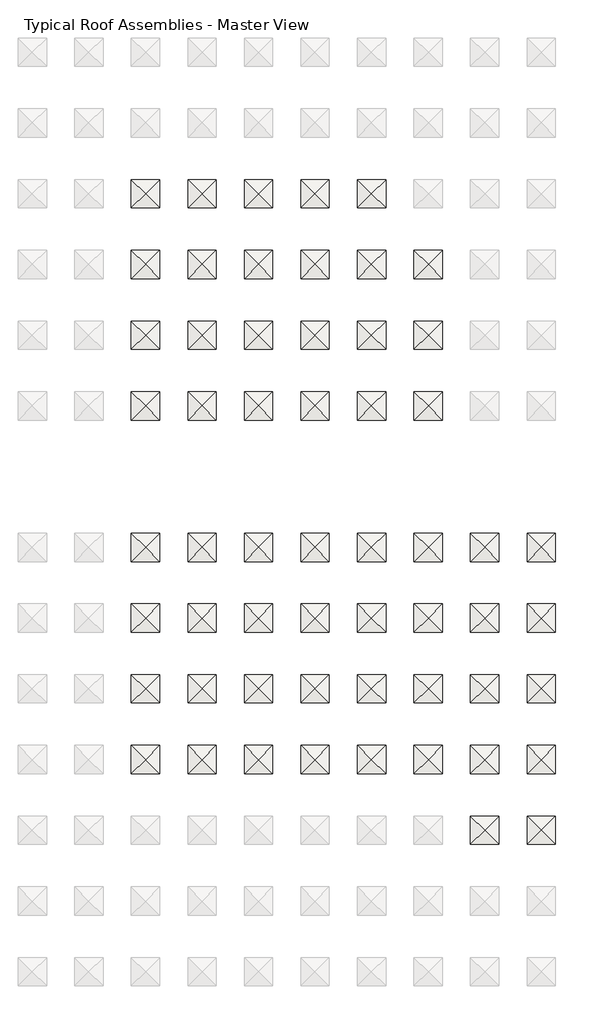
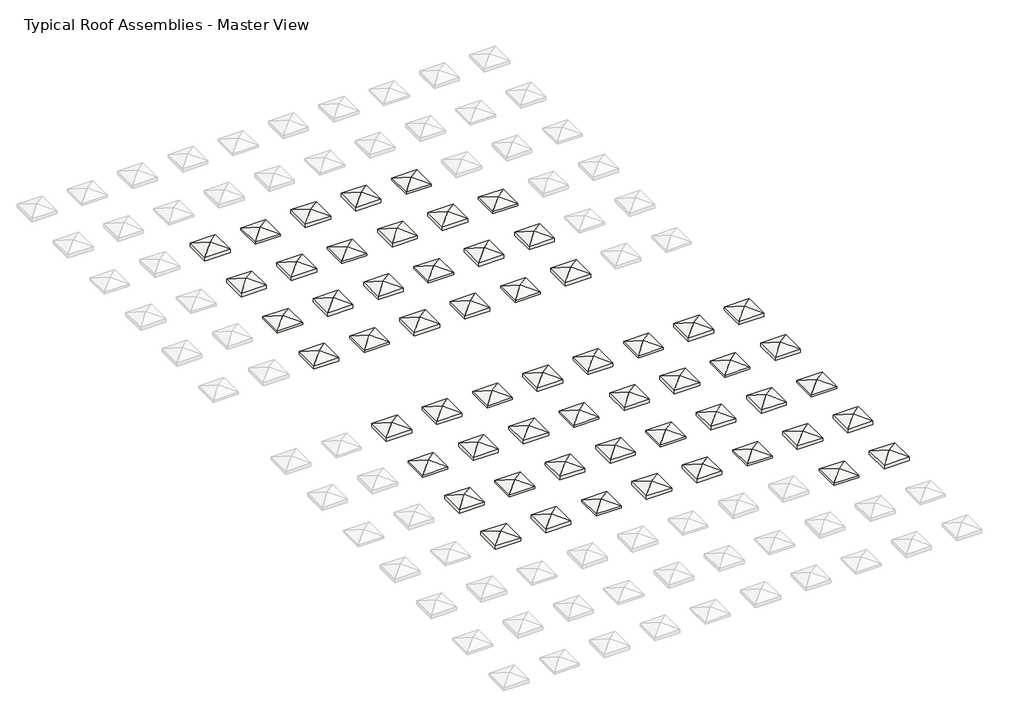
# One storey, part 3 of 6: 57 roofs.
"""IFC4 building model written with IfcOpenShell, lengths in millimetres."""

from ifc_helpers import new_model, si_unit, origin, place, context, project, spatial, faceted_brep, element, save

model = new_model("IFC4")

# Units and contexts
model_context = context("Model", 3, world=origin())
ifc_project = project(units=[si_unit("LENGTHUNIT", "METRE", prefix="MILLI")], contexts=[model_context])

# Site, building, storey
site = spatial("IfcSite", under=ifc_project)
building = spatial("IfcBuilding", under=site)
storey = spatial("IfcBuildingStorey", under=building, Name="Typical Roof Assemblies - Master View", Elevation=3048.0)

# Roofs
placement = place(None, origin())
element("IfcRoof", 1, at=placement, inside=storey, context=model_context, shape_type="Brep", body=[
    faceted_brep([(285.2728707, -160224.4766531, 3556.0), (1809.2728707, -158700.4766531, 3048.0), (1809.2728707, -161748.4766531, 3048.0), (-1238.7271293, -158700.4766531, 3048.0), (-1238.7271293, -161748.4766531, 3048.0), (1809.2728707, -158700.4766531, 3476.3832082), (285.2728707, -160224.4766531, 3984.3832082), (1809.2728707, -161748.4766531, 3476.3832082), (-1238.7271293, -158700.4766531, 3476.3832082), (-1238.7271293, -161748.4766531, 3476.3832082)], [[[0, 1, 2]], [[3, 0, 4]], [[1, 0, 3]], [[4, 0, 2]], [[5, 6, 7]], [[8, 9, 6]], [[5, 8, 6]], [[9, 7, 6]], [[3, 8, 5, 1]], [[4, 9, 8, 3]], [[2, 7, 9, 4]], [[1, 5, 7, 2]]]),
])
element("IfcRoof", 2, at=placement, inside=storey, context=model_context, shape_type="Brep", body=[
    faceted_brep([(6381.2728707, -160224.4766531, 3556.0), (7905.2728707, -158700.4766531, 3048.0), (7905.2728707, -161748.4766531, 3048.0), (4857.2728707, -158700.4766531, 3048.0), (4857.2728707, -161748.4766531, 3048.0), (7905.2728707, -158700.4766531, 3304.0928432), (6381.2728707, -160224.4766531, 3812.0928432), (7905.2728707, -161748.4766531, 3304.0928432), (4857.2728707, -158700.4766531, 3304.0928432), (4857.2728707, -161748.4766531, 3304.0928432)], [[[0, 1, 2]], [[3, 0, 4]], [[1, 0, 3]], [[4, 0, 2]], [[5, 6, 7]], [[8, 9, 6]], [[5, 8, 6]], [[9, 7, 6]], [[3, 8, 5, 1]], [[4, 9, 8, 3]], [[2, 7, 9, 4]], [[1, 5, 7, 2]]]),
])
element("IfcRoof", 3, at=placement, inside=storey, context=model_context, shape_type="Brep", body=[
    faceted_brep([(12477.2728707, -160224.4766531, 3556.0), (14001.2728707, -158700.4766531, 3048.0), (14001.2728707, -161748.4766531, 3048.0), (10953.2728707, -158700.4766531, 3048.0), (10953.2728707, -161748.4766531, 3048.0), (14001.2728707, -158700.4766531, 3478.1235205), (12477.2728707, -160224.4766531, 3986.1235205), (14001.2728707, -161748.4766531, 3478.1235205), (10953.2728707, -158700.4766531, 3478.1235205), (10953.2728707, -161748.4766531, 3478.1235205)], [[[0, 1, 2]], [[3, 0, 4]], [[1, 0, 3]], [[4, 0, 2]], [[5, 6, 7]], [[8, 9, 6]], [[5, 8, 6]], [[9, 7, 6]], [[3, 8, 5, 1]], [[4, 9, 8, 3]], [[2, 7, 9, 4]], [[1, 5, 7, 2]]]),
])
element("IfcRoof", 4, at=placement, inside=storey, context=model_context, shape_type="Brep", body=[
    faceted_brep([(18573.2728707, -160224.4766531, 3556.0), (20097.2728707, -158700.4766531, 3048.0), (20097.2728707, -161748.4766531, 3048.0), (17049.2728707, -158700.4766531, 3048.0), (17049.2728707, -161748.4766531, 3048.0), (20097.2728707, -158700.4766531, 3474.7767703), (18573.2728707, -160224.4766531, 3982.7767703), (20097.2728707, -161748.4766531, 3474.7767703), (17049.2728707, -158700.4766531, 3474.7767703), (17049.2728707, -161748.4766531, 3474.7767703)], [[[0, 1, 2]], [[3, 0, 4]], [[1, 0, 3]], [[4, 0, 2]], [[5, 6, 7]], [[8, 9, 6]], [[5, 8, 6]], [[9, 7, 6]], [[3, 8, 5, 1]], [[4, 9, 8, 3]], [[2, 7, 9, 4]], [[1, 5, 7, 2]]]),
])
element("IfcRoof", 5, at=placement, inside=storey, context=model_context, shape_type="Brep", body=[
    faceted_brep([(24669.2728707, -160224.4766531, 3556.0), (26193.2728707, -158700.4766531, 3048.0), (26193.2728707, -161748.4766531, 3048.0), (23145.2728707, -158700.4766531, 3048.0), (23145.2728707, -161748.4766531, 3048.0), (26193.2728707, -158700.4766531, 3304.0928432), (24669.2728707, -160224.4766531, 3812.0928432), (26193.2728707, -161748.4766531, 3304.0928432), (23145.2728707, -158700.4766531, 3304.0928432), (23145.2728707, -161748.4766531, 3304.0928432)], [[[0, 1, 2]], [[3, 0, 4]], [[1, 0, 3]], [[4, 0, 2]], [[5, 6, 7]], [[8, 9, 6]], [[5, 8, 6]], [[9, 7, 6]], [[3, 8, 5, 1]], [[4, 9, 8, 3]], [[2, 7, 9, 4]], [[1, 5, 7, 2]]]),
])
element("IfcRoof", 6, at=placement, inside=storey, context=model_context, shape_type="Brep", body=[
    faceted_brep([(285.2728707, -167844.4766531, 3556.0), (1809.2728707, -166320.4766531, 3048.0), (1809.2728707, -169368.4766531, 3048.0), (-1238.7271293, -166320.4766531, 3048.0), (-1238.7271293, -169368.4766531, 3048.0), (1809.2728707, -166320.4766531, 3479.7299585), (285.2728707, -167844.4766531, 3987.7299585), (1809.2728707, -169368.4766531, 3479.7299585), (-1238.7271293, -166320.4766531, 3479.7299585), (-1238.7271293, -169368.4766531, 3479.7299585)], [[[0, 1, 2]], [[3, 0, 4]], [[1, 0, 3]], [[4, 0, 2]], [[5, 6, 7]], [[8, 9, 6]], [[5, 8, 6]], [[9, 7, 6]], [[3, 8, 5, 1]], [[4, 9, 8, 3]], [[2, 7, 9, 4]], [[1, 5, 7, 2]]]),
])
element("IfcRoof", 7, at=placement, inside=storey, context=model_context, shape_type="Brep", body=[
    faceted_brep([(6381.2728707, -167844.4766531, 3556.0), (7905.2728707, -166320.4766531, 3048.0), (7905.2728707, -169368.4766531, 3048.0), (4857.2728707, -166320.4766531, 3048.0), (4857.2728707, -169368.4766531, 3048.0), (7905.2728707, -166320.4766531, 3476.3832082), (6381.2728707, -167844.4766531, 3984.3832082), (7905.2728707, -169368.4766531, 3476.3832082), (4857.2728707, -166320.4766531, 3476.3832082), (4857.2728707, -169368.4766531, 3476.3832082)], [[[0, 1, 2]], [[3, 0, 4]], [[1, 0, 3]], [[4, 0, 2]], [[5, 6, 7]], [[8, 9, 6]], [[5, 8, 6]], [[9, 7, 6]], [[3, 8, 5, 1]], [[4, 9, 8, 3]], [[2, 7, 9, 4]], [[1, 5, 7, 2]]]),
])
element("IfcRoof", 8, at=placement, inside=storey, context=model_context, shape_type="Brep", body=[
    faceted_brep([(12477.2728707, -167844.4766531, 3556.0), (14001.2728707, -166320.4766531, 3048.0), (14001.2728707, -169368.4766531, 3048.0), (10953.2728707, -166320.4766531, 3048.0), (10953.2728707, -169368.4766531, 3048.0), (14001.2728707, -166320.4766531, 3304.0928432), (12477.2728707, -167844.4766531, 3812.0928432), (14001.2728707, -169368.4766531, 3304.0928432), (10953.2728707, -166320.4766531, 3304.0928432), (10953.2728707, -169368.4766531, 3304.0928432)], [[[0, 1, 2]], [[3, 0, 4]], [[1, 0, 3]], [[4, 0, 2]], [[5, 6, 7]], [[8, 9, 6]], [[5, 8, 6]], [[9, 7, 6]], [[3, 8, 5, 1]], [[4, 9, 8, 3]], [[2, 7, 9, 4]], [[1, 5, 7, 2]]]),
])
element("IfcRoof", 9, at=placement, inside=storey, context=model_context, shape_type="Brep", body=[
    faceted_brep([(18573.2728707, -167844.4766531, 3556.0), (20097.2728707, -166320.4766531, 3048.0), (20097.2728707, -169368.4766531, 3048.0), (17049.2728707, -166320.4766531, 3048.0), (17049.2728707, -169368.4766531, 3048.0), (20097.2728707, -166320.4766531, 3478.1235205), (18573.2728707, -167844.4766531, 3986.1235205), (20097.2728707, -169368.4766531, 3478.1235205), (17049.2728707, -166320.4766531, 3478.1235205), (17049.2728707, -169368.4766531, 3478.1235205)], [[[0, 1, 2]], [[3, 0, 4]], [[1, 0, 3]], [[4, 0, 2]], [[5, 6, 7]], [[8, 9, 6]], [[5, 8, 6]], [[9, 7, 6]], [[3, 8, 5, 1]], [[4, 9, 8, 3]], [[2, 7, 9, 4]], [[1, 5, 7, 2]]]),
])
element("IfcRoof", 10, at=placement, inside=storey, context=model_context, shape_type="Brep", body=[
    faceted_brep([(24669.2728707, -167844.4766531, 3556.0), (26193.2728707, -166320.4766531, 3048.0), (26193.2728707, -169368.4766531, 3048.0), (23145.2728707, -166320.4766531, 3048.0), (23145.2728707, -169368.4766531, 3048.0), (26193.2728707, -166320.4766531, 3474.7767703), (24669.2728707, -167844.4766531, 3982.7767703), (26193.2728707, -169368.4766531, 3474.7767703), (23145.2728707, -166320.4766531, 3474.7767703), (23145.2728707, -169368.4766531, 3474.7767703)], [[[0, 1, 2]], [[3, 0, 4]], [[1, 0, 3]], [[4, 0, 2]], [[5, 6, 7]], [[8, 9, 6]], [[5, 8, 6]], [[9, 7, 6]], [[3, 8, 5, 1]], [[4, 9, 8, 3]], [[2, 7, 9, 4]], [[1, 5, 7, 2]]]),
])
element("IfcRoof", 11, at=placement, inside=storey, context=model_context, shape_type="Brep", body=[
    faceted_brep([(30765.2728707, -167844.4766531, 3556.0), (32289.2728707, -166320.4766531, 3048.0), (32289.2728707, -169368.4766531, 3048.0), (29241.2728707, -166320.4766531, 3048.0), (29241.2728707, -169368.4766531, 3048.0), (32289.2728707, -166320.4766531, 3304.0928432), (30765.2728707, -167844.4766531, 3812.0928432), (32289.2728707, -169368.4766531, 3304.0928432), (29241.2728707, -166320.4766531, 3304.0928432), (29241.2728707, -169368.4766531, 3304.0928432)], [[[0, 1, 2]], [[3, 0, 4]], [[1, 0, 3]], [[4, 0, 2]], [[5, 6, 7]], [[8, 9, 6]], [[5, 8, 6]], [[9, 7, 6]], [[3, 8, 5, 1]], [[4, 9, 8, 3]], [[2, 7, 9, 4]], [[1, 5, 7, 2]]]),
])
element("IfcRoof", 12, at=placement, inside=storey, context=model_context, shape_type="Brep", body=[
    faceted_brep([(285.2728707, -175464.4766531, 3556.0), (1809.2728707, -173940.4766531, 3048.0), (1809.2728707, -176988.4766531, 3048.0), (-1238.7271293, -173940.4766531, 3048.0), (-1238.7271293, -176988.4766531, 3048.0), (1809.2728707, -173940.4766531, 3304.0928432), (285.2728707, -175464.4766531, 3812.0928432), (1809.2728707, -176988.4766531, 3304.0928432), (-1238.7271293, -173940.4766531, 3304.0928432), (-1238.7271293, -176988.4766531, 3304.0928432)], [[[0, 1, 2]], [[3, 0, 4]], [[1, 0, 3]], [[4, 0, 2]], [[5, 6, 7]], [[8, 9, 6]], [[5, 8, 6]], [[9, 7, 6]], [[3, 8, 5, 1]], [[4, 9, 8, 3]], [[2, 7, 9, 4]], [[1, 5, 7, 2]]]),
])
element("IfcRoof", 13, at=placement, inside=storey, context=model_context, shape_type="Brep", body=[
    faceted_brep([(6381.2728707, -175464.4766531, 3556.0), (7905.2728707, -173940.4766531, 3048.0), (7905.2728707, -176988.4766531, 3048.0), (4857.2728707, -173940.4766531, 3048.0), (4857.2728707, -176988.4766531, 3048.0), (7905.2728707, -173940.4766531, 3479.7299585), (6381.2728707, -175464.4766531, 3987.7299585), (7905.2728707, -176988.4766531, 3479.7299585), (4857.2728707, -173940.4766531, 3479.7299585), (4857.2728707, -176988.4766531, 3479.7299585)], [[[0, 1, 2]], [[3, 0, 4]], [[1, 0, 3]], [[4, 0, 2]], [[5, 6, 7]], [[8, 9, 6]], [[5, 8, 6]], [[9, 7, 6]], [[3, 8, 5, 1]], [[4, 9, 8, 3]], [[2, 7, 9, 4]], [[1, 5, 7, 2]]]),
])
element("IfcRoof", 14, at=placement, inside=storey, context=model_context, shape_type="Brep", body=[
    faceted_brep([(12477.2728707, -175464.4766531, 3556.0), (14001.2728707, -173940.4766531, 3048.0), (14001.2728707, -176988.4766531, 3048.0), (10953.2728707, -173940.4766531, 3048.0), (10953.2728707, -176988.4766531, 3048.0), (14001.2728707, -173940.4766531, 3476.3832082), (12477.2728707, -175464.4766531, 3984.3832082), (14001.2728707, -176988.4766531, 3476.3832082), (10953.2728707, -173940.4766531, 3476.3832082), (10953.2728707, -176988.4766531, 3476.3832082)], [[[0, 1, 2]], [[3, 0, 4]], [[1, 0, 3]], [[4, 0, 2]], [[5, 6, 7]], [[8, 9, 6]], [[5, 8, 6]], [[9, 7, 6]], [[3, 8, 5, 1]], [[4, 9, 8, 3]], [[2, 7, 9, 4]], [[1, 5, 7, 2]]]),
])
element("IfcRoof", 15, at=placement, inside=storey, context=model_context, shape_type="Brep", body=[
    faceted_brep([(18573.2728707, -175464.4766531, 3556.0), (20097.2728707, -173940.4766531, 3048.0), (20097.2728707, -176988.4766531, 3048.0), (17049.2728707, -173940.4766531, 3048.0), (17049.2728707, -176988.4766531, 3048.0), (20097.2728707, -173940.4766531, 3304.0928432), (18573.2728707, -175464.4766531, 3812.0928432), (20097.2728707, -176988.4766531, 3304.0928432), (17049.2728707, -173940.4766531, 3304.0928432), (17049.2728707, -176988.4766531, 3304.0928432)], [[[0, 1, 2]], [[3, 0, 4]], [[1, 0, 3]], [[4, 0, 2]], [[5, 6, 7]], [[8, 9, 6]], [[5, 8, 6]], [[9, 7, 6]], [[3, 8, 5, 1]], [[4, 9, 8, 3]], [[2, 7, 9, 4]], [[1, 5, 7, 2]]]),
])
element("IfcRoof", 16, at=placement, inside=storey, context=model_context, shape_type="Brep", body=[
    faceted_brep([(24669.2728707, -175464.4766531, 3556.0), (26193.2728707, -173940.4766531, 3048.0), (26193.2728707, -176988.4766531, 3048.0), (23145.2728707, -173940.4766531, 3048.0), (23145.2728707, -176988.4766531, 3048.0), (26193.2728707, -173940.4766531, 3478.1235205), (24669.2728707, -175464.4766531, 3986.1235205), (26193.2728707, -176988.4766531, 3478.1235205), (23145.2728707, -173940.4766531, 3478.1235205), (23145.2728707, -176988.4766531, 3478.1235205)], [[[0, 1, 2]], [[3, 0, 4]], [[1, 0, 3]], [[4, 0, 2]], [[5, 6, 7]], [[8, 9, 6]], [[5, 8, 6]], [[9, 7, 6]], [[3, 8, 5, 1]], [[4, 9, 8, 3]], [[2, 7, 9, 4]], [[1, 5, 7, 2]]]),
])
element("IfcRoof", 17, at=placement, inside=storey, context=model_context, shape_type="Brep", body=[
    faceted_brep([(30765.2728707, -175464.4766531, 3556.0), (32289.2728707, -173940.4766531, 3048.0), (32289.2728707, -176988.4766531, 3048.0), (29241.2728707, -173940.4766531, 3048.0), (29241.2728707, -176988.4766531, 3048.0), (32289.2728707, -173940.4766531, 3474.7767703), (30765.2728707, -175464.4766531, 3982.7767703), (32289.2728707, -176988.4766531, 3474.7767703), (29241.2728707, -173940.4766531, 3474.7767703), (29241.2728707, -176988.4766531, 3474.7767703)], [[[0, 1, 2]], [[3, 0, 4]], [[1, 0, 3]], [[4, 0, 2]], [[5, 6, 7]], [[8, 9, 6]], [[5, 8, 6]], [[9, 7, 6]], [[3, 8, 5, 1]], [[4, 9, 8, 3]], [[2, 7, 9, 4]], [[1, 5, 7, 2]]]),
])
element("IfcRoof", 18, at=placement, inside=storey, context=model_context, shape_type="Brep", body=[
    faceted_brep([(285.2728707, -183084.4766531, 3556.0), (1809.2728707, -181560.4766531, 3048.0), (1809.2728707, -184608.4766531, 3048.0), (-1238.7271293, -181560.4766531, 3048.0), (-1238.7271293, -184608.4766531, 3048.0), (1809.2728707, -181560.4766531, 3474.7767703), (285.2728707, -183084.4766531, 3982.7767703), (1809.2728707, -184608.4766531, 3474.7767703), (-1238.7271293, -181560.4766531, 3474.7767703), (-1238.7271293, -184608.4766531, 3474.7767703)], [[[0, 1, 2]], [[3, 0, 4]], [[1, 0, 3]], [[4, 0, 2]], [[5, 6, 7]], [[8, 9, 6]], [[5, 8, 6]], [[9, 7, 6]], [[3, 8, 5, 1]], [[4, 9, 8, 3]], [[2, 7, 9, 4]], [[1, 5, 7, 2]]]),
])
element("IfcRoof", 19, at=placement, inside=storey, context=model_context, shape_type="Brep", body=[
    faceted_brep([(6381.2728707, -183084.4766531, 3556.0), (7905.2728707, -181560.4766531, 3048.0), (7905.2728707, -184608.4766531, 3048.0), (4857.2728707, -181560.4766531, 3048.0), (4857.2728707, -184608.4766531, 3048.0), (7905.2728707, -181560.4766531, 3304.0928432), (6381.2728707, -183084.4766531, 3812.0928432), (7905.2728707, -184608.4766531, 3304.0928432), (4857.2728707, -181560.4766531, 3304.0928432), (4857.2728707, -184608.4766531, 3304.0928432)], [[[0, 1, 2]], [[3, 0, 4]], [[1, 0, 3]], [[4, 0, 2]], [[5, 6, 7]], [[8, 9, 6]], [[5, 8, 6]], [[9, 7, 6]], [[3, 8, 5, 1]], [[4, 9, 8, 3]], [[2, 7, 9, 4]], [[1, 5, 7, 2]]]),
])
element("IfcRoof", 20, at=placement, inside=storey, context=model_context, shape_type="Brep", body=[
    faceted_brep([(12477.2728707, -183084.4766531, 3556.0), (14001.2728707, -181560.4766531, 3048.0), (14001.2728707, -184608.4766531, 3048.0), (10953.2728707, -181560.4766531, 3048.0), (10953.2728707, -184608.4766531, 3048.0), (14001.2728707, -181560.4766531, 3479.7299585), (12477.2728707, -183084.4766531, 3987.7299585), (14001.2728707, -184608.4766531, 3479.7299585), (10953.2728707, -181560.4766531, 3479.7299585), (10953.2728707, -184608.4766531, 3479.7299585)], [[[0, 1, 2]], [[3, 0, 4]], [[1, 0, 3]], [[4, 0, 2]], [[5, 6, 7]], [[8, 9, 6]], [[5, 8, 6]], [[9, 7, 6]], [[3, 8, 5, 1]], [[4, 9, 8, 3]], [[2, 7, 9, 4]], [[1, 5, 7, 2]]]),
])
element("IfcRoof", 21, at=placement, inside=storey, context=model_context, shape_type="Brep", body=[
    faceted_brep([(18573.2728707, -183084.4766531, 3556.0), (20097.2728707, -181560.4766531, 3048.0), (20097.2728707, -184608.4766531, 3048.0), (17049.2728707, -181560.4766531, 3048.0), (17049.2728707, -184608.4766531, 3048.0), (20097.2728707, -181560.4766531, 3476.3832082), (18573.2728707, -183084.4766531, 3984.3832082), (20097.2728707, -184608.4766531, 3476.3832082), (17049.2728707, -181560.4766531, 3476.3832082), (17049.2728707, -184608.4766531, 3476.3832082)], [[[0, 1, 2]], [[3, 0, 4]], [[1, 0, 3]], [[4, 0, 2]], [[5, 6, 7]], [[8, 9, 6]], [[5, 8, 6]], [[9, 7, 6]], [[3, 8, 5, 1]], [[4, 9, 8, 3]], [[2, 7, 9, 4]], [[1, 5, 7, 2]]]),
])
element("IfcRoof", 22, at=placement, inside=storey, context=model_context, shape_type="Brep", body=[
    faceted_brep([(24669.2728707, -183084.4766531, 3556.0), (26193.2728707, -181560.4766531, 3048.0), (26193.2728707, -184608.4766531, 3048.0), (23145.2728707, -181560.4766531, 3048.0), (23145.2728707, -184608.4766531, 3048.0), (26193.2728707, -181560.4766531, 3304.0928432), (24669.2728707, -183084.4766531, 3812.0928432), (26193.2728707, -184608.4766531, 3304.0928432), (23145.2728707, -181560.4766531, 3304.0928432), (23145.2728707, -184608.4766531, 3304.0928432)], [[[0, 1, 2]], [[3, 0, 4]], [[1, 0, 3]], [[4, 0, 2]], [[5, 6, 7]], [[8, 9, 6]], [[5, 8, 6]], [[9, 7, 6]], [[3, 8, 5, 1]], [[4, 9, 8, 3]], [[2, 7, 9, 4]], [[1, 5, 7, 2]]]),
])
element("IfcRoof", 23, at=placement, inside=storey, context=model_context, shape_type="Brep", body=[
    faceted_brep([(30765.2728707, -183084.4766531, 3556.0), (32289.2728707, -181560.4766531, 3048.0), (32289.2728707, -184608.4766531, 3048.0), (29241.2728707, -181560.4766531, 3048.0), (29241.2728707, -184608.4766531, 3048.0), (32289.2728707, -181560.4766531, 3478.1235205), (30765.2728707, -183084.4766531, 3986.1235205), (32289.2728707, -184608.4766531, 3478.1235205), (29241.2728707, -181560.4766531, 3478.1235205), (29241.2728707, -184608.4766531, 3478.1235205)], [[[0, 1, 2]], [[3, 0, 4]], [[1, 0, 3]], [[4, 0, 2]], [[5, 6, 7]], [[8, 9, 6]], [[5, 8, 6]], [[9, 7, 6]], [[3, 8, 5, 1]], [[4, 9, 8, 3]], [[2, 7, 9, 4]], [[1, 5, 7, 2]]]),
])
element("IfcRoof", 24, at=placement, inside=storey, context=model_context, shape_type="Brep", body=[
    faceted_brep([(285.2728707, -198324.4766531, 3556.0), (1809.2728707, -196800.4766531, 3048.0), (1809.2728707, -199848.4766531, 3048.0), (-1238.7271293, -196800.4766531, 3048.0), (-1238.7271293, -199848.4766531, 3048.0), (1809.2728707, -196800.4766531, 3478.1235205), (285.2728707, -198324.4766531, 3986.1235205), (1809.2728707, -199848.4766531, 3478.1235205), (-1238.7271293, -196800.4766531, 3478.1235205), (-1238.7271293, -199848.4766531, 3478.1235205)], [[[0, 1, 2]], [[3, 0, 4]], [[1, 0, 3]], [[4, 0, 2]], [[5, 6, 7]], [[8, 9, 6]], [[5, 8, 6]], [[9, 7, 6]], [[3, 8, 5, 1]], [[4, 9, 8, 3]], [[2, 7, 9, 4]], [[1, 5, 7, 2]]]),
])
element("IfcRoof", 25, at=placement, inside=storey, context=model_context, shape_type="Brep", body=[
    faceted_brep([(6381.2728707, -198324.4766531, 3556.0), (7905.2728707, -196800.4766531, 3048.0), (7905.2728707, -199848.4766531, 3048.0), (4857.2728707, -196800.4766531, 3048.0), (4857.2728707, -199848.4766531, 3048.0), (7905.2728707, -196800.4766531, 3474.7767703), (6381.2728707, -198324.4766531, 3982.7767703), (7905.2728707, -199848.4766531, 3474.7767703), (4857.2728707, -196800.4766531, 3474.7767703), (4857.2728707, -199848.4766531, 3474.7767703)], [[[0, 1, 2]], [[3, 0, 4]], [[1, 0, 3]], [[4, 0, 2]], [[5, 6, 7]], [[8, 9, 6]], [[5, 8, 6]], [[9, 7, 6]], [[3, 8, 5, 1]], [[4, 9, 8, 3]], [[2, 7, 9, 4]], [[1, 5, 7, 2]]]),
])
element("IfcRoof", 26, at=placement, inside=storey, context=model_context, shape_type="Brep", body=[
    faceted_brep([(12477.2728707, -198324.4766531, 3556.0), (14001.2728707, -196800.4766531, 3048.0), (14001.2728707, -199848.4766531, 3048.0), (10953.2728707, -196800.4766531, 3048.0), (10953.2728707, -199848.4766531, 3048.0), (14001.2728707, -196800.4766531, 3304.0928432), (12477.2728707, -198324.4766531, 3812.0928432), (14001.2728707, -199848.4766531, 3304.0928432), (10953.2728707, -196800.4766531, 3304.0928432), (10953.2728707, -199848.4766531, 3304.0928432)], [[[0, 1, 2]], [[3, 0, 4]], [[1, 0, 3]], [[4, 0, 2]], [[5, 6, 7]], [[8, 9, 6]], [[5, 8, 6]], [[9, 7, 6]], [[3, 8, 5, 1]], [[4, 9, 8, 3]], [[2, 7, 9, 4]], [[1, 5, 7, 2]]]),
])
element("IfcRoof", 27, at=placement, inside=storey, context=model_context, shape_type="Brep", body=[
    faceted_brep([(18573.2728707, -198324.4766531, 3556.0), (20097.2728707, -196800.4766531, 3048.0), (20097.2728707, -199848.4766531, 3048.0), (17049.2728707, -196800.4766531, 3048.0), (17049.2728707, -199848.4766531, 3048.0), (20097.2728707, -196800.4766531, 3479.7299585), (18573.2728707, -198324.4766531, 3987.7299585), (20097.2728707, -199848.4766531, 3479.7299585), (17049.2728707, -196800.4766531, 3479.7299585), (17049.2728707, -199848.4766531, 3479.7299585)], [[[0, 1, 2]], [[3, 0, 4]], [[1, 0, 3]], [[4, 0, 2]], [[5, 6, 7]], [[8, 9, 6]], [[5, 8, 6]], [[9, 7, 6]], [[3, 8, 5, 1]], [[4, 9, 8, 3]], [[2, 7, 9, 4]], [[1, 5, 7, 2]]]),
])
element("IfcRoof", 28, at=placement, inside=storey, context=model_context, shape_type="Brep", body=[
    faceted_brep([(24669.2728707, -198324.4766531, 3556.0), (26193.2728707, -196800.4766531, 3048.0), (26193.2728707, -199848.4766531, 3048.0), (23145.2728707, -196800.4766531, 3048.0), (23145.2728707, -199848.4766531, 3048.0), (26193.2728707, -196800.4766531, 3476.3832082), (24669.2728707, -198324.4766531, 3984.3832082), (26193.2728707, -199848.4766531, 3476.3832082), (23145.2728707, -196800.4766531, 3476.3832082), (23145.2728707, -199848.4766531, 3476.3832082)], [[[0, 1, 2]], [[3, 0, 4]], [[1, 0, 3]], [[4, 0, 2]], [[5, 6, 7]], [[8, 9, 6]], [[5, 8, 6]], [[9, 7, 6]], [[3, 8, 5, 1]], [[4, 9, 8, 3]], [[2, 7, 9, 4]], [[1, 5, 7, 2]]]),
])
element("IfcRoof", 29, at=placement, inside=storey, context=model_context, shape_type="Brep", body=[
    faceted_brep([(30765.2728707, -198324.4766531, 3556.0), (32289.2728707, -196800.4766531, 3048.0), (32289.2728707, -199848.4766531, 3048.0), (29241.2728707, -196800.4766531, 3048.0), (29241.2728707, -199848.4766531, 3048.0), (32289.2728707, -196800.4766531, 3304.0928432), (30765.2728707, -198324.4766531, 3812.0928432), (32289.2728707, -199848.4766531, 3304.0928432), (29241.2728707, -196800.4766531, 3304.0928432), (29241.2728707, -199848.4766531, 3304.0928432)], [[[0, 1, 2]], [[3, 0, 4]], [[1, 0, 3]], [[4, 0, 2]], [[5, 6, 7]], [[8, 9, 6]], [[5, 8, 6]], [[9, 7, 6]], [[3, 8, 5, 1]], [[4, 9, 8, 3]], [[2, 7, 9, 4]], [[1, 5, 7, 2]]]),
])
element("IfcRoof", 30, at=placement, inside=storey, context=model_context, shape_type="Brep", body=[
    faceted_brep([(36861.2728707, -198324.4766531, 3556.0), (38385.2728707, -196800.4766531, 3048.0), (38385.2728707, -199848.4766531, 3048.0), (35337.2728707, -196800.4766531, 3048.0), (35337.2728707, -199848.4766531, 3048.0), (38385.2728707, -196800.4766531, 3478.1235205), (36861.2728707, -198324.4766531, 3986.1235205), (38385.2728707, -199848.4766531, 3478.1235205), (35337.2728707, -196800.4766531, 3478.1235205), (35337.2728707, -199848.4766531, 3478.1235205)], [[[0, 1, 2]], [[3, 0, 4]], [[1, 0, 3]], [[4, 0, 2]], [[5, 6, 7]], [[8, 9, 6]], [[5, 8, 6]], [[9, 7, 6]], [[3, 8, 5, 1]], [[4, 9, 8, 3]], [[2, 7, 9, 4]], [[1, 5, 7, 2]]]),
])
element("IfcRoof", 31, at=placement, inside=storey, context=model_context, shape_type="Brep", body=[
    faceted_brep([(42957.2728707, -198324.4766531, 3556.0), (44481.2728707, -196800.4766531, 3048.0), (44481.2728707, -199848.4766531, 3048.0), (41433.2728707, -196800.4766531, 3048.0), (41433.2728707, -199848.4766531, 3048.0), (44481.2728707, -196800.4766531, 3474.7767703), (42957.2728707, -198324.4766531, 3982.7767703), (44481.2728707, -199848.4766531, 3474.7767703), (41433.2728707, -196800.4766531, 3474.7767703), (41433.2728707, -199848.4766531, 3474.7767703)], [[[0, 1, 2]], [[3, 0, 4]], [[1, 0, 3]], [[4, 0, 2]], [[5, 6, 7]], [[8, 9, 6]], [[5, 8, 6]], [[9, 7, 6]], [[3, 8, 5, 1]], [[4, 9, 8, 3]], [[2, 7, 9, 4]], [[1, 5, 7, 2]]]),
])
element("IfcRoof", 32, at=placement, inside=storey, context=model_context, shape_type="Brep", body=[
    faceted_brep([(285.2728707, -205944.4766531, 3556.0), (1809.2728707, -204420.4766531, 3048.0), (1809.2728707, -207468.4766531, 3048.0), (-1238.7271293, -204420.4766531, 3048.0), (-1238.7271293, -207468.4766531, 3048.0), (1809.2728707, -204420.4766531, 3304.0928432), (285.2728707, -205944.4766531, 3812.0928432), (1809.2728707, -207468.4766531, 3304.0928432), (-1238.7271293, -204420.4766531, 3304.0928432), (-1238.7271293, -207468.4766531, 3304.0928432)], [[[0, 1, 2]], [[3, 0, 4]], [[1, 0, 3]], [[4, 0, 2]], [[5, 6, 7]], [[8, 9, 6]], [[5, 8, 6]], [[9, 7, 6]], [[3, 8, 5, 1]], [[4, 9, 8, 3]], [[2, 7, 9, 4]], [[1, 5, 7, 2]]]),
])
element("IfcRoof", 33, at=placement, inside=storey, context=model_context, shape_type="Brep", body=[
    faceted_brep([(6381.2728707, -205944.4766531, 3556.0), (7905.2728707, -204420.4766531, 3048.0), (7905.2728707, -207468.4766531, 3048.0), (4857.2728707, -204420.4766531, 3048.0), (4857.2728707, -207468.4766531, 3048.0), (7905.2728707, -204420.4766531, 3478.1235205), (6381.2728707, -205944.4766531, 3986.1235205), (7905.2728707, -207468.4766531, 3478.1235205), (4857.2728707, -204420.4766531, 3478.1235205), (4857.2728707, -207468.4766531, 3478.1235205)], [[[0, 1, 2]], [[3, 0, 4]], [[1, 0, 3]], [[4, 0, 2]], [[5, 6, 7]], [[8, 9, 6]], [[5, 8, 6]], [[9, 7, 6]], [[3, 8, 5, 1]], [[4, 9, 8, 3]], [[2, 7, 9, 4]], [[1, 5, 7, 2]]]),
])
element("IfcRoof", 34, at=placement, inside=storey, context=model_context, shape_type="Brep", body=[
    faceted_brep([(12477.2728707, -205944.4766531, 3556.0), (14001.2728707, -204420.4766531, 3048.0), (14001.2728707, -207468.4766531, 3048.0), (10953.2728707, -204420.4766531, 3048.0), (10953.2728707, -207468.4766531, 3048.0), (14001.2728707, -204420.4766531, 3474.7767703), (12477.2728707, -205944.4766531, 3982.7767703), (14001.2728707, -207468.4766531, 3474.7767703), (10953.2728707, -204420.4766531, 3474.7767703), (10953.2728707, -207468.4766531, 3474.7767703)], [[[0, 1, 2]], [[3, 0, 4]], [[1, 0, 3]], [[4, 0, 2]], [[5, 6, 7]], [[8, 9, 6]], [[5, 8, 6]], [[9, 7, 6]], [[3, 8, 5, 1]], [[4, 9, 8, 3]], [[2, 7, 9, 4]], [[1, 5, 7, 2]]]),
])
element("IfcRoof", 35, at=placement, inside=storey, context=model_context, shape_type="Brep", body=[
    faceted_brep([(18573.2728707, -205944.4766531, 3556.0), (20097.2728707, -204420.4766531, 3048.0), (20097.2728707, -207468.4766531, 3048.0), (17049.2728707, -204420.4766531, 3048.0), (17049.2728707, -207468.4766531, 3048.0), (20097.2728707, -204420.4766531, 3304.0928432), (18573.2728707, -205944.4766531, 3812.0928432), (20097.2728707, -207468.4766531, 3304.0928432), (17049.2728707, -204420.4766531, 3304.0928432), (17049.2728707, -207468.4766531, 3304.0928432)], [[[0, 1, 2]], [[3, 0, 4]], [[1, 0, 3]], [[4, 0, 2]], [[5, 6, 7]], [[8, 9, 6]], [[5, 8, 6]], [[9, 7, 6]], [[3, 8, 5, 1]], [[4, 9, 8, 3]], [[2, 7, 9, 4]], [[1, 5, 7, 2]]]),
])
element("IfcRoof", 36, at=placement, inside=storey, context=model_context, shape_type="Brep", body=[
    faceted_brep([(24669.2728707, -205944.4766531, 3556.0), (26193.2728707, -204420.4766531, 3048.0), (26193.2728707, -207468.4766531, 3048.0), (23145.2728707, -204420.4766531, 3048.0), (23145.2728707, -207468.4766531, 3048.0), (26193.2728707, -204420.4766531, 3479.7299585), (24669.2728707, -205944.4766531, 3987.7299585), (26193.2728707, -207468.4766531, 3479.7299585), (23145.2728707, -204420.4766531, 3479.7299585), (23145.2728707, -207468.4766531, 3479.7299585)], [[[0, 1, 2]], [[3, 0, 4]], [[1, 0, 3]], [[4, 0, 2]], [[5, 6, 7]], [[8, 9, 6]], [[5, 8, 6]], [[9, 7, 6]], [[3, 8, 5, 1]], [[4, 9, 8, 3]], [[2, 7, 9, 4]], [[1, 5, 7, 2]]]),
])
element("IfcRoof", 37, at=placement, inside=storey, context=model_context, shape_type="Brep", body=[
    faceted_brep([(30765.2728707, -205944.4766531, 3556.0), (32289.2728707, -204420.4766531, 3048.0), (32289.2728707, -207468.4766531, 3048.0), (29241.2728707, -204420.4766531, 3048.0), (29241.2728707, -207468.4766531, 3048.0), (32289.2728707, -204420.4766531, 3476.3832082), (30765.2728707, -205944.4766531, 3984.3832082), (32289.2728707, -207468.4766531, 3476.3832082), (29241.2728707, -204420.4766531, 3476.3832082), (29241.2728707, -207468.4766531, 3476.3832082)], [[[0, 1, 2]], [[3, 0, 4]], [[1, 0, 3]], [[4, 0, 2]], [[5, 6, 7]], [[8, 9, 6]], [[5, 8, 6]], [[9, 7, 6]], [[3, 8, 5, 1]], [[4, 9, 8, 3]], [[2, 7, 9, 4]], [[1, 5, 7, 2]]]),
])
element("IfcRoof", 38, at=placement, inside=storey, context=model_context, shape_type="Brep", body=[
    faceted_brep([(36861.2728707, -205944.4766531, 3556.0), (38385.2728707, -204420.4766531, 3048.0), (38385.2728707, -207468.4766531, 3048.0), (35337.2728707, -204420.4766531, 3048.0), (35337.2728707, -207468.4766531, 3048.0), (38385.2728707, -204420.4766531, 3304.0928432), (36861.2728707, -205944.4766531, 3812.0928432), (38385.2728707, -207468.4766531, 3304.0928432), (35337.2728707, -204420.4766531, 3304.0928432), (35337.2728707, -207468.4766531, 3304.0928432)], [[[0, 1, 2]], [[3, 0, 4]], [[1, 0, 3]], [[4, 0, 2]], [[5, 6, 7]], [[8, 9, 6]], [[5, 8, 6]], [[9, 7, 6]], [[3, 8, 5, 1]], [[4, 9, 8, 3]], [[2, 7, 9, 4]], [[1, 5, 7, 2]]]),
])
element("IfcRoof", 39, at=placement, inside=storey, context=model_context, shape_type="Brep", body=[
    faceted_brep([(42957.2728707, -205944.4766531, 3556.0), (44481.2728707, -204420.4766531, 3048.0), (44481.2728707, -207468.4766531, 3048.0), (41433.2728707, -204420.4766531, 3048.0), (41433.2728707, -207468.4766531, 3048.0), (44481.2728707, -204420.4766531, 3478.1235205), (42957.2728707, -205944.4766531, 3986.1235205), (44481.2728707, -207468.4766531, 3478.1235205), (41433.2728707, -204420.4766531, 3478.1235205), (41433.2728707, -207468.4766531, 3478.1235205)], [[[0, 1, 2]], [[3, 0, 4]], [[1, 0, 3]], [[4, 0, 2]], [[5, 6, 7]], [[8, 9, 6]], [[5, 8, 6]], [[9, 7, 6]], [[3, 8, 5, 1]], [[4, 9, 8, 3]], [[2, 7, 9, 4]], [[1, 5, 7, 2]]]),
])
element("IfcRoof", 40, at=placement, inside=storey, context=model_context, shape_type="Brep", body=[
    faceted_brep([(285.2728707, -213564.4766531, 3556.0), (1809.2728707, -212040.4766531, 3048.0), (1809.2728707, -215088.4766531, 3048.0), (-1238.7271293, -212040.4766531, 3048.0), (-1238.7271293, -215088.4766531, 3048.0), (1809.2728707, -212040.4766531, 3476.3832082), (285.2728707, -213564.4766531, 3984.3832082), (1809.2728707, -215088.4766531, 3476.3832082), (-1238.7271293, -212040.4766531, 3476.3832082), (-1238.7271293, -215088.4766531, 3476.3832082)], [[[0, 1, 2]], [[3, 0, 4]], [[1, 0, 3]], [[4, 0, 2]], [[5, 6, 7]], [[8, 9, 6]], [[5, 8, 6]], [[9, 7, 6]], [[3, 8, 5, 1]], [[4, 9, 8, 3]], [[2, 7, 9, 4]], [[1, 5, 7, 2]]]),
])
element("IfcRoof", 41, at=placement, inside=storey, context=model_context, shape_type="Brep", body=[
    faceted_brep([(6381.2728707, -213564.4766531, 3556.0), (7905.2728707, -212040.4766531, 3048.0), (7905.2728707, -215088.4766531, 3048.0), (4857.2728707, -212040.4766531, 3048.0), (4857.2728707, -215088.4766531, 3048.0), (7905.2728707, -212040.4766531, 3304.0928432), (6381.2728707, -213564.4766531, 3812.0928432), (7905.2728707, -215088.4766531, 3304.0928432), (4857.2728707, -212040.4766531, 3304.0928432), (4857.2728707, -215088.4766531, 3304.0928432)], [[[0, 1, 2]], [[3, 0, 4]], [[1, 0, 3]], [[4, 0, 2]], [[5, 6, 7]], [[8, 9, 6]], [[5, 8, 6]], [[9, 7, 6]], [[3, 8, 5, 1]], [[4, 9, 8, 3]], [[2, 7, 9, 4]], [[1, 5, 7, 2]]]),
])
element("IfcRoof", 42, at=placement, inside=storey, context=model_context, shape_type="Brep", body=[
    faceted_brep([(12477.2728707, -213564.4766531, 3556.0), (14001.2728707, -212040.4766531, 3048.0), (14001.2728707, -215088.4766531, 3048.0), (10953.2728707, -212040.4766531, 3048.0), (10953.2728707, -215088.4766531, 3048.0), (14001.2728707, -212040.4766531, 3478.1235205), (12477.2728707, -213564.4766531, 3986.1235205), (14001.2728707, -215088.4766531, 3478.1235205), (10953.2728707, -212040.4766531, 3478.1235205), (10953.2728707, -215088.4766531, 3478.1235205)], [[[0, 1, 2]], [[3, 0, 4]], [[1, 0, 3]], [[4, 0, 2]], [[5, 6, 7]], [[8, 9, 6]], [[5, 8, 6]], [[9, 7, 6]], [[3, 8, 5, 1]], [[4, 9, 8, 3]], [[2, 7, 9, 4]], [[1, 5, 7, 2]]]),
])
element("IfcRoof", 43, at=placement, inside=storey, context=model_context, shape_type="Brep", body=[
    faceted_brep([(18573.2728707, -213564.4766531, 3556.0), (20097.2728707, -212040.4766531, 3048.0), (20097.2728707, -215088.4766531, 3048.0), (17049.2728707, -212040.4766531, 3048.0), (17049.2728707, -215088.4766531, 3048.0), (20097.2728707, -212040.4766531, 3474.7767703), (18573.2728707, -213564.4766531, 3982.7767703), (20097.2728707, -215088.4766531, 3474.7767703), (17049.2728707, -212040.4766531, 3474.7767703), (17049.2728707, -215088.4766531, 3474.7767703)], [[[0, 1, 2]], [[3, 0, 4]], [[1, 0, 3]], [[4, 0, 2]], [[5, 6, 7]], [[8, 9, 6]], [[5, 8, 6]], [[9, 7, 6]], [[3, 8, 5, 1]], [[4, 9, 8, 3]], [[2, 7, 9, 4]], [[1, 5, 7, 2]]]),
])
element("IfcRoof", 44, at=placement, inside=storey, context=model_context, shape_type="Brep", body=[
    faceted_brep([(24669.2728707, -213564.4766531, 3556.0), (26193.2728707, -212040.4766531, 3048.0), (26193.2728707, -215088.4766531, 3048.0), (23145.2728707, -212040.4766531, 3048.0), (23145.2728707, -215088.4766531, 3048.0), (26193.2728707, -212040.4766531, 3304.0928432), (24669.2728707, -213564.4766531, 3812.0928432), (26193.2728707, -215088.4766531, 3304.0928432), (23145.2728707, -212040.4766531, 3304.0928432), (23145.2728707, -215088.4766531, 3304.0928432)], [[[0, 1, 2]], [[3, 0, 4]], [[1, 0, 3]], [[4, 0, 2]], [[5, 6, 7]], [[8, 9, 6]], [[5, 8, 6]], [[9, 7, 6]], [[3, 8, 5, 1]], [[4, 9, 8, 3]], [[2, 7, 9, 4]], [[1, 5, 7, 2]]]),
])
element("IfcRoof", 45, at=placement, inside=storey, context=model_context, shape_type="Brep", body=[
    faceted_brep([(30765.2728707, -213564.4766531, 3556.0), (32289.2728707, -212040.4766531, 3048.0), (32289.2728707, -215088.4766531, 3048.0), (29241.2728707, -212040.4766531, 3048.0), (29241.2728707, -215088.4766531, 3048.0), (32289.2728707, -212040.4766531, 3479.7299585), (30765.2728707, -213564.4766531, 3987.7299585), (32289.2728707, -215088.4766531, 3479.7299585), (29241.2728707, -212040.4766531, 3479.7299585), (29241.2728707, -215088.4766531, 3479.7299585)], [[[0, 1, 2]], [[3, 0, 4]], [[1, 0, 3]], [[4, 0, 2]], [[5, 6, 7]], [[8, 9, 6]], [[5, 8, 6]], [[9, 7, 6]], [[3, 8, 5, 1]], [[4, 9, 8, 3]], [[2, 7, 9, 4]], [[1, 5, 7, 2]]]),
])
element("IfcRoof", 46, at=placement, inside=storey, context=model_context, shape_type="Brep", body=[
    faceted_brep([(36861.2728707, -213564.4766531, 3556.0), (38385.2728707, -212040.4766531, 3048.0), (38385.2728707, -215088.4766531, 3048.0), (35337.2728707, -212040.4766531, 3048.0), (35337.2728707, -215088.4766531, 3048.0), (38385.2728707, -212040.4766531, 3476.3832082), (36861.2728707, -213564.4766531, 3984.3832082), (38385.2728707, -215088.4766531, 3476.3832082), (35337.2728707, -212040.4766531, 3476.3832082), (35337.2728707, -215088.4766531, 3476.3832082)], [[[0, 1, 2]], [[3, 0, 4]], [[1, 0, 3]], [[4, 0, 2]], [[5, 6, 7]], [[8, 9, 6]], [[5, 8, 6]], [[9, 7, 6]], [[3, 8, 5, 1]], [[4, 9, 8, 3]], [[2, 7, 9, 4]], [[1, 5, 7, 2]]]),
])
element("IfcRoof", 47, at=placement, inside=storey, context=model_context, shape_type="Brep", body=[
    faceted_brep([(42957.2728707, -213564.4766531, 3556.0), (44481.2728707, -212040.4766531, 3048.0), (44481.2728707, -215088.4766531, 3048.0), (41433.2728707, -212040.4766531, 3048.0), (41433.2728707, -215088.4766531, 3048.0), (44481.2728707, -212040.4766531, 3304.0928432), (42957.2728707, -213564.4766531, 3812.0928432), (44481.2728707, -215088.4766531, 3304.0928432), (41433.2728707, -212040.4766531, 3304.0928432), (41433.2728707, -215088.4766531, 3304.0928432)], [[[0, 1, 2]], [[3, 0, 4]], [[1, 0, 3]], [[4, 0, 2]], [[5, 6, 7]], [[8, 9, 6]], [[5, 8, 6]], [[9, 7, 6]], [[3, 8, 5, 1]], [[4, 9, 8, 3]], [[2, 7, 9, 4]], [[1, 5, 7, 2]]]),
])
element("IfcRoof", 48, at=placement, inside=storey, context=model_context, shape_type="Brep", body=[
    faceted_brep([(285.2728707, -221184.4766531, 3556.0), (1809.2728707, -219660.4766531, 3048.0), (1809.2728707, -222708.4766531, 3048.0), (-1238.7271293, -219660.4766531, 3048.0), (-1238.7271293, -222708.4766531, 3048.0), (1809.2728707, -219660.4766531, 3479.7299585), (285.2728707, -221184.4766531, 3987.7299585), (1809.2728707, -222708.4766531, 3479.7299585), (-1238.7271293, -219660.4766531, 3479.7299585), (-1238.7271293, -222708.4766531, 3479.7299585)], [[[0, 1, 2]], [[3, 0, 4]], [[1, 0, 3]], [[4, 0, 2]], [[5, 6, 7]], [[8, 9, 6]], [[5, 8, 6]], [[9, 7, 6]], [[3, 8, 5, 1]], [[4, 9, 8, 3]], [[2, 7, 9, 4]], [[1, 5, 7, 2]]]),
])
element("IfcRoof", 49, at=placement, inside=storey, context=model_context, shape_type="Brep", body=[
    faceted_brep([(6381.2728707, -221184.4766531, 3556.0), (7905.2728707, -219660.4766531, 3048.0), (7905.2728707, -222708.4766531, 3048.0), (4857.2728707, -219660.4766531, 3048.0), (4857.2728707, -222708.4766531, 3048.0), (7905.2728707, -219660.4766531, 3476.3832082), (6381.2728707, -221184.4766531, 3984.3832082), (7905.2728707, -222708.4766531, 3476.3832082), (4857.2728707, -219660.4766531, 3476.3832082), (4857.2728707, -222708.4766531, 3476.3832082)], [[[0, 1, 2]], [[3, 0, 4]], [[1, 0, 3]], [[4, 0, 2]], [[5, 6, 7]], [[8, 9, 6]], [[5, 8, 6]], [[9, 7, 6]], [[3, 8, 5, 1]], [[4, 9, 8, 3]], [[2, 7, 9, 4]], [[1, 5, 7, 2]]]),
])
element("IfcRoof", 50, at=placement, inside=storey, context=model_context, shape_type="Brep", body=[
    faceted_brep([(12477.2728707, -221184.4766531, 3556.0), (14001.2728707, -219660.4766531, 3048.0), (14001.2728707, -222708.4766531, 3048.0), (10953.2728707, -219660.4766531, 3048.0), (10953.2728707, -222708.4766531, 3048.0), (14001.2728707, -219660.4766531, 3304.0928432), (12477.2728707, -221184.4766531, 3812.0928432), (14001.2728707, -222708.4766531, 3304.0928432), (10953.2728707, -219660.4766531, 3304.0928432), (10953.2728707, -222708.4766531, 3304.0928432)], [[[0, 1, 2]], [[3, 0, 4]], [[1, 0, 3]], [[4, 0, 2]], [[5, 6, 7]], [[8, 9, 6]], [[5, 8, 6]], [[9, 7, 6]], [[3, 8, 5, 1]], [[4, 9, 8, 3]], [[2, 7, 9, 4]], [[1, 5, 7, 2]]]),
])
element("IfcRoof", 51, at=placement, inside=storey, context=model_context, shape_type="Brep", body=[
    faceted_brep([(18573.2728707, -221184.4766531, 3556.0), (20097.2728707, -219660.4766531, 3048.0), (20097.2728707, -222708.4766531, 3048.0), (17049.2728707, -219660.4766531, 3048.0), (17049.2728707, -222708.4766531, 3048.0), (20097.2728707, -219660.4766531, 3478.1235205), (18573.2728707, -221184.4766531, 3986.1235205), (20097.2728707, -222708.4766531, 3478.1235205), (17049.2728707, -219660.4766531, 3478.1235205), (17049.2728707, -222708.4766531, 3478.1235205)], [[[0, 1, 2]], [[3, 0, 4]], [[1, 0, 3]], [[4, 0, 2]], [[5, 6, 7]], [[8, 9, 6]], [[5, 8, 6]], [[9, 7, 6]], [[3, 8, 5, 1]], [[4, 9, 8, 3]], [[2, 7, 9, 4]], [[1, 5, 7, 2]]]),
])
element("IfcRoof", 52, at=placement, inside=storey, context=model_context, shape_type="Brep", body=[
    faceted_brep([(24669.2728707, -221184.4766531, 3556.0), (26193.2728707, -219660.4766531, 3048.0), (26193.2728707, -222708.4766531, 3048.0), (23145.2728707, -219660.4766531, 3048.0), (23145.2728707, -222708.4766531, 3048.0), (26193.2728707, -219660.4766531, 3474.7767703), (24669.2728707, -221184.4766531, 3982.7767703), (26193.2728707, -222708.4766531, 3474.7767703), (23145.2728707, -219660.4766531, 3474.7767703), (23145.2728707, -222708.4766531, 3474.7767703)], [[[0, 1, 2]], [[3, 0, 4]], [[1, 0, 3]], [[4, 0, 2]], [[5, 6, 7]], [[8, 9, 6]], [[5, 8, 6]], [[9, 7, 6]], [[3, 8, 5, 1]], [[4, 9, 8, 3]], [[2, 7, 9, 4]], [[1, 5, 7, 2]]]),
])
element("IfcRoof", 53, at=placement, inside=storey, context=model_context, shape_type="Brep", body=[
    faceted_brep([(30765.2728707, -221184.4766531, 3556.0), (32289.2728707, -219660.4766531, 3048.0), (32289.2728707, -222708.4766531, 3048.0), (29241.2728707, -219660.4766531, 3048.0), (29241.2728707, -222708.4766531, 3048.0), (32289.2728707, -219660.4766531, 3304.0928432), (30765.2728707, -221184.4766531, 3812.0928432), (32289.2728707, -222708.4766531, 3304.0928432), (29241.2728707, -219660.4766531, 3304.0928432), (29241.2728707, -222708.4766531, 3304.0928432)], [[[0, 1, 2]], [[3, 0, 4]], [[1, 0, 3]], [[4, 0, 2]], [[5, 6, 7]], [[8, 9, 6]], [[5, 8, 6]], [[9, 7, 6]], [[3, 8, 5, 1]], [[4, 9, 8, 3]], [[2, 7, 9, 4]], [[1, 5, 7, 2]]]),
])
element("IfcRoof", 54, at=placement, inside=storey, context=model_context, shape_type="Brep", body=[
    faceted_brep([(36861.2728707, -221184.4766531, 3556.0), (38385.2728707, -219660.4766531, 3048.0), (38385.2728707, -222708.4766531, 3048.0), (35337.2728707, -219660.4766531, 3048.0), (35337.2728707, -222708.4766531, 3048.0), (38385.2728707, -219660.4766531, 3479.7299585), (36861.2728707, -221184.4766531, 3987.7299585), (38385.2728707, -222708.4766531, 3479.7299585), (35337.2728707, -219660.4766531, 3479.7299585), (35337.2728707, -222708.4766531, 3479.7299585)], [[[0, 1, 2]], [[3, 0, 4]], [[1, 0, 3]], [[4, 0, 2]], [[5, 6, 7]], [[8, 9, 6]], [[5, 8, 6]], [[9, 7, 6]], [[3, 8, 5, 1]], [[4, 9, 8, 3]], [[2, 7, 9, 4]], [[1, 5, 7, 2]]]),
])
element("IfcRoof", 55, at=placement, inside=storey, context=model_context, shape_type="Brep", body=[
    faceted_brep([(42957.2728707, -221184.4766531, 3556.0), (44481.2728707, -219660.4766531, 3048.0), (44481.2728707, -222708.4766531, 3048.0), (41433.2728707, -219660.4766531, 3048.0), (41433.2728707, -222708.4766531, 3048.0), (44481.2728707, -219660.4766531, 3476.3832082), (42957.2728707, -221184.4766531, 3984.3832082), (44481.2728707, -222708.4766531, 3476.3832082), (41433.2728707, -219660.4766531, 3476.3832082), (41433.2728707, -222708.4766531, 3476.3832082)], [[[0, 1, 2]], [[3, 0, 4]], [[1, 0, 3]], [[4, 0, 2]], [[5, 6, 7]], [[8, 9, 6]], [[5, 8, 6]], [[9, 7, 6]], [[3, 8, 5, 1]], [[4, 9, 8, 3]], [[2, 7, 9, 4]], [[1, 5, 7, 2]]]),
])
element("IfcRoof", 56, at=placement, inside=storey, context=model_context, shape_type="Brep", body=[
    faceted_brep([(36861.2728707, -228804.4766531, 3556.0), (38385.2728707, -227280.4766531, 3048.0), (38385.2728707, -230328.4766531, 3048.0), (35337.2728707, -227280.4766531, 3048.0), (35337.2728707, -230328.4766531, 3048.0), (38385.2728707, -227280.4766531, 3304.0928432), (36861.2728707, -228804.4766531, 3812.0928432), (38385.2728707, -230328.4766531, 3304.0928432), (35337.2728707, -227280.4766531, 3304.0928432), (35337.2728707, -230328.4766531, 3304.0928432)], [[[0, 1, 2]], [[3, 0, 4]], [[1, 0, 3]], [[4, 0, 2]], [[5, 6, 7]], [[8, 9, 6]], [[5, 8, 6]], [[9, 7, 6]], [[3, 8, 5, 1]], [[4, 9, 8, 3]], [[2, 7, 9, 4]], [[1, 5, 7, 2]]]),
])
element("IfcRoof", 57, at=placement, inside=storey, context=model_context, shape_type="Brep", body=[
    faceted_brep([(42957.2728707, -228804.4766531, 3556.0), (44481.2728707, -227280.4766531, 3048.0), (44481.2728707, -230328.4766531, 3048.0), (41433.2728707, -227280.4766531, 3048.0), (41433.2728707, -230328.4766531, 3048.0), (44481.2728707, -227280.4766531, 3479.7299585), (42957.2728707, -228804.4766531, 3987.7299585), (44481.2728707, -230328.4766531, 3479.7299585), (41433.2728707, -227280.4766531, 3479.7299585), (41433.2728707, -230328.4766531, 3479.7299585)], [[[0, 1, 2]], [[3, 0, 4]], [[1, 0, 3]], [[4, 0, 2]], [[5, 6, 7]], [[8, 9, 6]], [[5, 8, 6]], [[9, 7, 6]], [[3, 8, 5, 1]], [[4, 9, 8, 3]], [[2, 7, 9, 4]], [[1, 5, 7, 2]]]),
])

save(model, "model.ifc")
